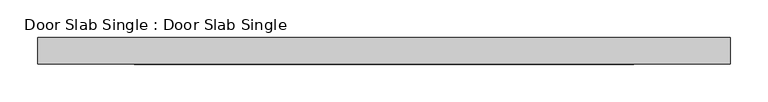
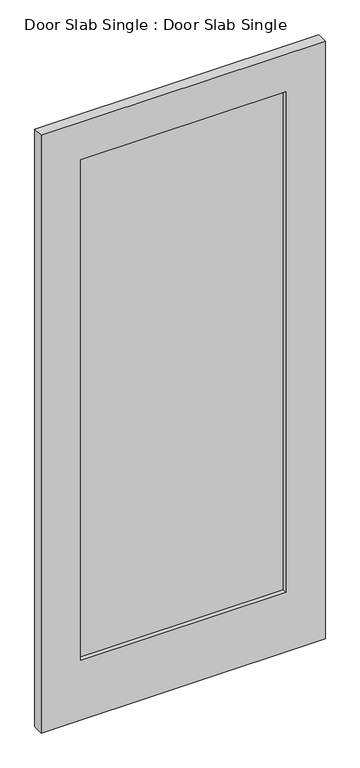
"""IFC4 building model written with IfcOpenShell, lengths in millimetres: proxy geometry, Door Slab Single : Door Slab Single."""

from ifc_helpers import new_model, si_unit, frame, origin, place, context, project, spatial, polyline, outline, extrude, source, transform, mapped, element, save


def door_slab_single_door_slab_single_e178eb28(model_context):
    return source(origin(), model_context, "Body", "SweptSolid", [
        extrude(outline(polyline([(330.2, -3.175), (-330.2, -3.175), (-330.2, 3.175), (330.2, 3.175), (330.2, -3.175)])), frame((0.0, 0.0, 203.2), z_axis=(0.0, 0.0, 1.0), x_axis=(1.0, 0.0, 0.0)), (0.0, 0.0, 1.0), 1701.8),
        extrude(outline(polyline([(0.0, 457.2), (2032.0, 457.2), (2032.0, -457.2), (0.0, -457.2), (0.0, 457.2)]), holes=[polyline([(203.2, 330.2), (203.2, -330.2), (1905.0, -330.2), (1905.0, 330.2), (203.2, 330.2)])]), frame((0.0, -17.4625, 0.0), z_axis=(0.0, 1.0, 0.0), x_axis=(0.0, 0.0, 1.0)), (0.0, 0.0, 1.0), 34.925),
    ])


if __name__ == "__main__":
    model = new_model("IFC4")
    model_context = context("Model", 3, world=origin())
    ifc_project = project(units=[si_unit("LENGTHUNIT", "METRE", prefix="MILLI")], contexts=[model_context])
    site = spatial("IfcSite", under=ifc_project)
    building = spatial("IfcBuilding", under=site)
    placement = place(None, origin())
    door_slab_single_door_slab_single_shape = door_slab_single_door_slab_single_e178eb28(model_context)
    element("IfcBuildingElementProxy", 1, Name="Door Slab Single : Door Slab Single", ObjectType="Door Slab Single : Door Slab Single", at=placement, inside=building, context=model_context, shape_type="MappedRepresentation", body=[
        mapped(door_slab_single_door_slab_single_shape, transform((0.0, 0.0, 0.0), x_axis=(1.0, 0.0, 0.0), y_axis=(0.0, 1.0, 0.0), z_axis=(0.0, 0.0, 1.0))),
    ])
    save(model, "model.ifc")
